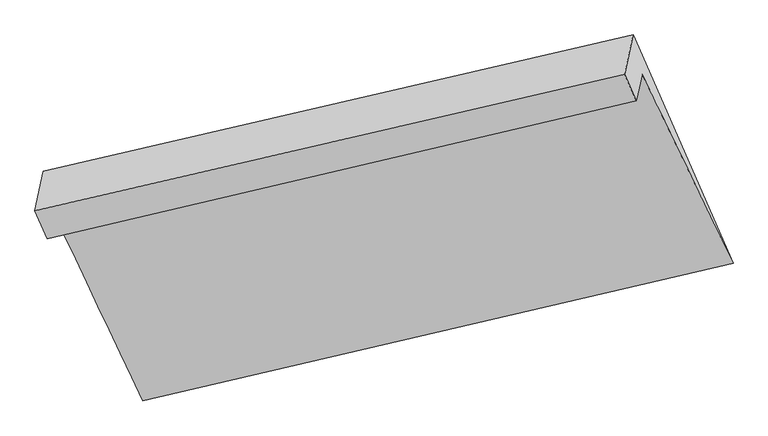
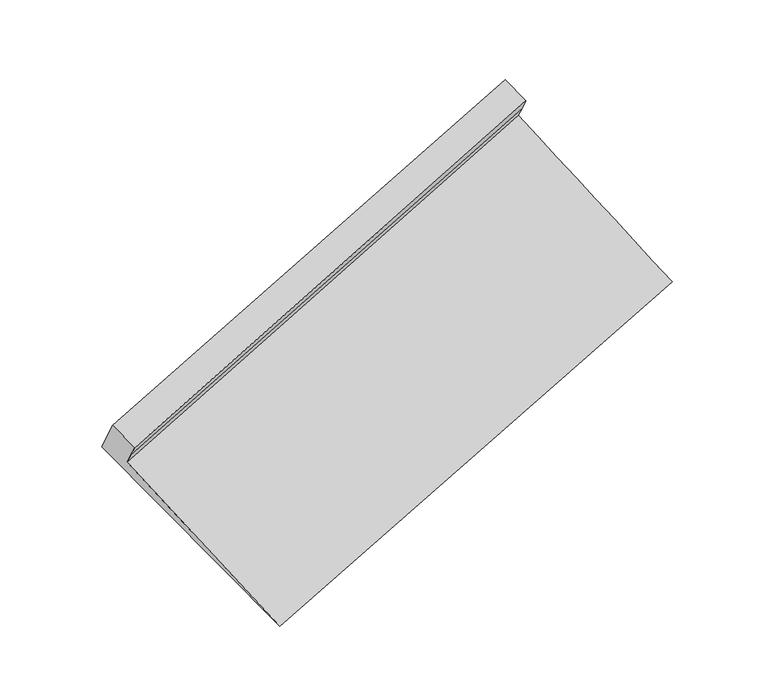
"""IFC4 building model written with IfcOpenShell, lengths in millimetres: proxy geometry."""

from ifc_helpers import new_model, si_unit, frame, origin, place, context, project, spatial, source, transform, mapped, element, save
from ifc_brep_helpers import plane_surface, spline_surface, advanced_brep


def generic_models_6d53d1c6(model_context):
    return source(origin(), model_context, "Body", "AdvancedBrep", [
        advanced_brep(
        [(-5189.8881642, -1989.782517, 1550.1088122), (-5167.7712136, -1886.6189656, 1403.6453347), (-734.8579086, -851.9898391, 2817.6079628), (-756.522562, -953.0436701, 2961.0762257), (-5145.6542631, -1783.4554143, 1257.1818572), (-713.1932552, -750.9360081, 2674.1396999), (-4469.5070645, -3208.731301, 183.5795799), (-28.2668357, -2175.2619907, 1572.1345726), (-5218.5511726, -1481.9600115, 1263.0342205), (-781.1836178, -456.0248039, 2669.4073761), (-5282.2211818, -1778.9459926, 1684.6715042), (-844.613923, -751.8926965, 3089.4572859)],
        [
            (0, 1),
            (1, 2),
            (2, 3),
            (3, 0),
            (1, 4),
            (4, 5),
            (5, 2),
            (4, 6),
            (6, 7),
            (7, 5),
            (6, 8),
            (8, 9),
            (9, 7),
            (8, 10),
            (10, 11),
            (11, 9),
            (10, 0),
            (3, 11),
        ],
        [
            plane_surface(frame((-5178.8296889, -1938.2007413, 1476.8770734), z_axis=(0.34565472748271137, -0.7909397092607735, -0.5049130476461621), x_axis=(0.12252560622166148, 0.5715153469543376, -0.811392435271415))),
            plane_surface(frame((-5156.7127384, -1835.03719, 1330.4135959), z_axis=(0.34565472748271187, -0.790939709260772, -0.5049130476461646), x_axis=(0.12252560622166092, 0.5715153469543401, -0.8113924352714135))),
            spline_surface(1, 1, [[(-5145.6542631, -1783.4554143, 1257.1818572), (-713.1932552, -750.9360081, 2674.1396999)], [(-4469.5070645, -3208.731301, 183.5795799), (-28.2668357, -2175.2619907, 1572.1345726)]], [2, 2], [2, 2], [0.0, 1.0], [0.0, 1.0]),
            spline_surface(1, 1, [[(-4469.5070645, -3208.731301, 183.5795799), (-28.2668357, -2175.2619907, 1572.1345726)], [(-5218.5511726, -1481.9600115, 1263.0342205), (-781.1836178, -456.0248039, 2669.4073761)]], [2, 2], [2, 2], [0.0, 1.0], [0.0, 1.0]),
            plane_surface(frame((-5250.3861772, -1630.453002, 1473.8528624), z_axis=(-0.3432630641483997, 0.7914987931611872, 0.5056680029583006), x_axis=(-0.12252560622166155, -0.5715153469543385, 0.8113924352714145))),
            plane_surface(frame((-5236.054673, -1884.3642548, 1617.3901582), z_axis=(-0.12430791402411889, -0.571934318408741, 0.8108259233259018), x_axis=(0.346313512885512, -0.7907846973804189, -0.504704381972116))),
            plane_surface(frame((-624.7560388, -1017.4318339, 2593.243032), z_axis=(0.9300830213550355, 0.21915695422371143, 0.2948148619090881), x_axis=(-0.12252560622166155, -0.5715153469543385, 0.8113924352714145))),
            plane_surface(frame((-5061.1643692, -2048.5750473, 1187.7151948), z_axis=(-0.9300830213550295, -0.2191569542237246, -0.2948148619090976), x_axis=(-0.3463135128855224, 0.7907846973804414, 0.5047043819720736))),
        ],
        [
            (0, [[1, 2, 3, 4]]),
            (1, [[5, 6, 7, -2]]),
            (2, [[8, 9, 10, -6]]),
            (3, [[11, 12, 13, -9]]),
            (4, [[14, 15, 16, -12]]),
            (5, [[17, -4, 18, -15]]),
            (6, [[-16, -18, -3, -7, -10, -13]]),
            (7, [[-17, -14, -11, -8, -5, -1]]),
        ],
    ),
    ])


if __name__ == "__main__":
    model = new_model("IFC4")
    model_context = context("Model", 3, world=origin())
    ifc_project = project(units=[si_unit("LENGTHUNIT", "METRE", prefix="MILLI")], contexts=[model_context])
    site = spatial("IfcSite", under=ifc_project)
    building = spatial("IfcBuilding", under=site)
    placement = place(None, origin())
    generic_models_shape = generic_models_6d53d1c6(model_context)
    element("IfcBuildingElementProxy", 1, Name="Generic Models", at=placement, inside=building, context=model_context, shape_type="MappedRepresentation", body=[
        mapped(generic_models_shape, transform((0.0, 0.0, 0.0), x_axis=(1.0, 0.0, 0.0), y_axis=(0.0, 1.0, 0.0), z_axis=(0.0, 0.0, 1.0))),
    ])
    save(model, "model.ifc")
